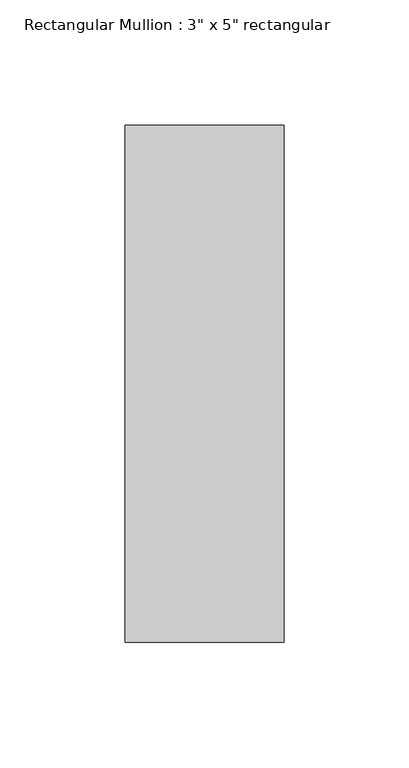
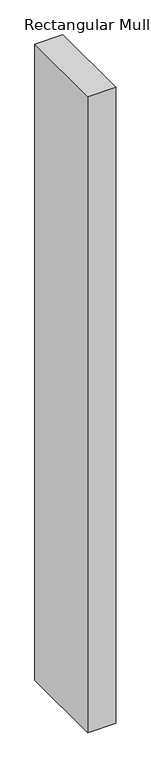
"""IFC4 building model written with IfcOpenShell, lengths in millimetres: member geometry."""

import ifcopenshell
import ifcopenshell.guid

model = None  # the IFC model being written
_history = None  # IfcOwnerHistory: only IFC2X3 demands one
_inside = {}  # id of a spatial element -> (the spatial element, [elements in it])
_under = {}  # id of a project, library or spatial element -> (it, [spatial elements below it])
_declared = {}  # id of a project -> (the project, [libraries it declares])
_typed = {}  # id of a type object -> (the type object, [elements of that type])
_made_of = {}  # id of a material, layer set ... -> (it, [elements and type objects made of it])


def new_model(schema):
    """Start an empty IFC model of exactly this schema.

    Asked for "IFC4X3", IfcOpenShell would pick the latest addendum, in which some entities
    have other attributes; the version numbers below select the first issue.
    IFC2X3 requires an IfcOwnerHistory on every rooted entity: one is made here for all.
    """
    global model, _history
    if schema == "IFC4X3":
        model = ifcopenshell.file(schema_version=(4, 3, 0, 0))
    else:
        model = ifcopenshell.file(schema=schema)
    _inside.clear()
    _under.clear()
    _declared.clear()
    _typed.clear()
    _made_of.clear()
    _history = None
    if model.schema == "IFC2X3":
        org = make("IfcOrganization", Name="unknown")
        user = make(
            "IfcPersonAndOrganization",
            ThePerson=make("IfcPerson", FamilyName="unknown"),
            TheOrganization=org,
        )
        app = make(
            "IfcApplication",
            ApplicationDeveloper=org,
            Version="unknown",
            ApplicationFullName="unknown",
            ApplicationIdentifier="unknown",
        )
        _history = make(
            "IfcOwnerHistory",
            OwningUser=user,
            OwningApplication=app,
            ChangeAction="ADDED",
            CreationDate=0,
        )
    return model


def make(cls, **values):
    """One entity of the class cls with the attributes given. An attribute that is None is left unset."""
    return model.create_entity(
        cls, **{name: value for name, value in values.items() if value is not None}
    )


def rooted(cls, **values):
    """An entity with a GlobalId (a new one), such as an element, a storey or a relation."""
    return make(cls, GlobalId=ifcopenshell.guid.new(), OwnerHistory=_history, **values)


def si_unit(unit_type, name, prefix=None):
    """IfcSIUnit, for example si_unit("LENGTHUNIT", "METRE", prefix="MILLI")."""
    return make("IfcSIUnit", UnitType=unit_type, Prefix=prefix, Name=name)


def assignment(units):
    """IfcUnitAssignment: the units of a project."""
    return None if units is None else make("IfcUnitAssignment", Units=units)


def point(xyz):
    """IfcCartesianPoint."""
    return None if xyz is None else make("IfcCartesianPoint", Coordinates=xyz)


def direction(xyz):
    """IfcDirection."""
    return None if xyz is None else make("IfcDirection", DirectionRatios=xyz)


def frame(location, z_axis=None, x_axis=None):
    """IfcAxis2Placement3D, a coordinate frame: its origin and axes. An axis left out is left unset."""
    return make(
        "IfcAxis2Placement3D",
        Location=point(location),
        Axis=direction(z_axis),
        RefDirection=direction(x_axis),
    )


def origin():
    """The frame at (0, 0, 0) with its axes left unset."""
    return frame((0.0, 0.0, 0.0))


def place(relative_to, where):
    """IfcLocalPlacement: puts the frame where relative to a parent placement (None: the world)."""
    return make(
        "IfcLocalPlacement", PlacementRelTo=relative_to, RelativePlacement=where
    )


def context(
    kind, dimensions, precision=None, world=None, true_north=None, identifier=None
):
    """IfcGeometricRepresentationContext, for example the 3D "Model" context."""
    return make(
        "IfcGeometricRepresentationContext",
        ContextIdentifier=identifier,
        ContextType=kind,
        CoordinateSpaceDimension=dimensions,
        Precision=precision,
        WorldCoordinateSystem=world,
        TrueNorth=true_north,
    )


def project(units=None, contexts=None):
    """IfcProject with its units and contexts."""
    return rooted(
        "IfcProject",
        Name="project",
        RepresentationContexts=contexts,
        UnitsInContext=assignment(units),
    )


def spatial(cls, under=None, at=None, **own):
    """A site, building, storey or space (cls), placed at a placement, below another one or the project."""
    s = rooted(cls, ObjectPlacement=at, **own)
    if under is not None:
        _under.setdefault(under.id(), (under, []))[1].append(s)
    return s


def polyline(points):
    """IfcPolyline through the points."""
    return make("IfcPolyline", Points=[point(p) for p in points])


def outline(outer, holes=None, kind="AREA"):
    """IfcArbitraryClosedProfileDef: a profile drawn as a closed curve; with holes, ...WithVoids."""
    if holes is None:
        return make("IfcArbitraryClosedProfileDef", ProfileType=kind, OuterCurve=outer)
    return make(
        "IfcArbitraryProfileDefWithVoids",
        ProfileType=kind,
        OuterCurve=outer,
        InnerCurves=holes,
    )


def extrude(swept, where, along, depth):
    """IfcExtrudedAreaSolid: the profile swept, set in the frame where, extruded along a direction by depth."""
    return make(
        "IfcExtrudedAreaSolid",
        SweptArea=swept,
        Position=where,
        ExtrudedDirection=direction(along),
        Depth=depth,
    )


def shape(context_of_items, identifier, shape_type, items):
    """IfcShapeRepresentation: the items that make up one representation, for example the "Body"."""
    return make(
        "IfcShapeRepresentation",
        ContextOfItems=context_of_items,
        RepresentationIdentifier=identifier,
        RepresentationType=shape_type,
        Items=items,
    )


def source(mapping_origin, context_of_items, identifier, shape_type, items):
    """IfcRepresentationMap: a shape defined once, which mapped items show again and again."""
    return make(
        "IfcRepresentationMap",
        MappingOrigin=mapping_origin,
        MappedRepresentation=shape(context_of_items, identifier, shape_type, items),
    )


def transform(
    local_origin,
    x_axis=None,
    y_axis=None,
    z_axis=None,
    scale=None,
    scale2=None,
    scale3=None,
    uniform=True,
):
    """IfcCartesianTransformationOperator3D, or its non-uniform kind. x_axis, y_axis, z_axis: its Axis1, 2, 3."""
    if uniform:
        return make(
            "IfcCartesianTransformationOperator3D",
            Axis1=direction(x_axis),
            Axis2=direction(y_axis),
            LocalOrigin=point(local_origin),
            Scale=scale,
            Axis3=direction(z_axis),
        )
    return make(
        "IfcCartesianTransformationOperator3DnonUniform",
        Axis1=direction(x_axis),
        Axis2=direction(y_axis),
        LocalOrigin=point(local_origin),
        Scale=scale,
        Axis3=direction(z_axis),
        Scale2=scale2,
        Scale3=scale3,
    )


def mapped(mapping_source, mapping_target):
    """IfcMappedItem: shows the shape of a source again, moved by a transform."""
    return make(
        "IfcMappedItem", MappingSource=mapping_source, MappingTarget=mapping_target
    )


def made_of(thing, what):
    """Note that an element or type object is made of a material, layer set ...; save() writes the relation."""
    if what is not None:
        _made_of.setdefault(what.id(), (what, []))[1].append(thing)
    return thing


def element(
    cls,
    number,
    at=None,
    inside=None,
    cuts=None,
    type_object=None,
    material=None,
    context=None,
    identifier="Body",
    shape_type=None,
    held_by="IfcProductDefinitionShape",
    body=None,
    shapes=None,
    **own,
):
    """One element of the class cls, such as IfcWall. Its Tag is "e" and its number.

    at: its placement. inside: the storey or other place that contains it. cuts: it is an
    opening in that element (IfcRelVoidsElement). A single representation is given by context,
    identifier, shape_type and body (its items); several are given by shapes. held_by: the class
    of the entity that holds the representations. save() writes the other relations.
    """
    e = rooted(cls, Tag="e%d" % number, ObjectPlacement=at, **own)
    if body is not None:
        shapes = [shape(context, identifier, shape_type, body)]
    if shapes is not None:
        e.Representation = make(held_by, Representations=shapes)
    if inside is not None:
        _inside.setdefault(inside.id(), (inside, []))[1].append(e)
    if cuts is not None:
        rooted(
            "IfcRelVoidsElement", RelatingBuildingElement=cuts, RelatedOpeningElement=e
        )
    if type_object is not None:
        _typed.setdefault(type_object.id(), (type_object, []))[1].append(e)
    return made_of(e, material)


def aggregate(whole, parts):
    """IfcRelAggregates: a whole, such as a stair, and the parts it consists of."""
    return rooted("IfcRelAggregates", RelatingObject=whole, RelatedObjects=parts)


def save(model, path):
    """Write the relations noted so far, then the file.

    IfcRelAggregates (storeys below a building ...), IfcRelContainedInSpatialStructure (elements
    in a storey), IfcRelDefinesByType, IfcRelAssociatesMaterial and IfcRelDeclares: one each for
    every whole, place, type object, material and project.
    """
    for whole, parts in _under.values():
        aggregate(whole, parts)
    for where, things in _inside.values():
        rooted(
            "IfcRelContainedInSpatialStructure",
            RelatedElements=things,
            RelatingStructure=where,
        )
    for kind, things in _typed.values():
        rooted("IfcRelDefinesByType", RelatedObjects=things, RelatingType=kind)
    for what, things in _made_of.values():
        rooted("IfcRelAssociatesMaterial", RelatedObjects=things, RelatingMaterial=what)
    for by, libraries in _declared.values():
        rooted("IfcRelDeclares", RelatingContext=by, RelatedDefinitions=libraries)
    model.write(path)


def member_9a773c1b(model_context):
    return source(origin(), model_context, "Body", "SweptSolid", [
        extrude(outline(polyline([(0.0, 90.551), (0.0, -115.951), (-63.5, -115.951), (-63.5, 90.551), (0.0, 90.551)])), frame((0.0, 0.0, -1524.0), z_axis=(0.0, 0.0, 1.0), x_axis=(1.0, 0.0, 0.0)), (0.0, 0.0, 1.0), 1524.0),
    ])


if __name__ == "__main__":
    model = new_model("IFC4")
    model_context = context("Model", 3, world=origin())
    ifc_project = project(units=[si_unit("LENGTHUNIT", "METRE", prefix="MILLI")], contexts=[model_context])
    site = spatial("IfcSite", under=ifc_project)
    building = spatial("IfcBuilding", under=site)
    placement = place(None, origin())
    member_shape = member_9a773c1b(model_context)
    element("IfcMember", 1, ObjectType="Rectangular Mullion : 3\" x 5\" rectangular", at=placement, inside=building, context=model_context, shape_type="MappedRepresentation", body=[
        mapped(member_shape, transform((0.0, 0.0, 0.0), x_axis=(1.0, 0.0, 0.0), y_axis=(0.0, 1.0, 0.0), z_axis=(0.0, 0.0, 1.0))),
    ])
    save(model, "model.ifc")
